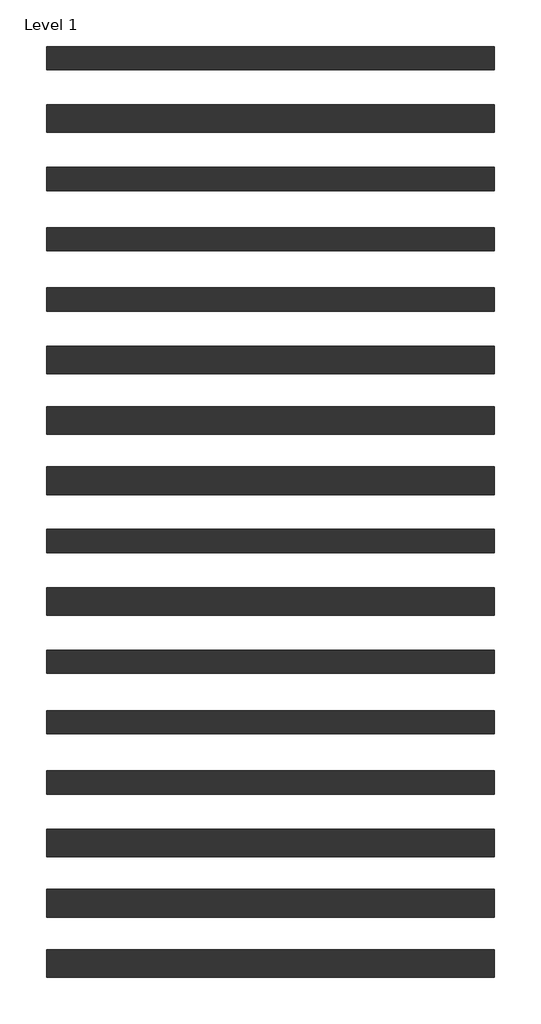
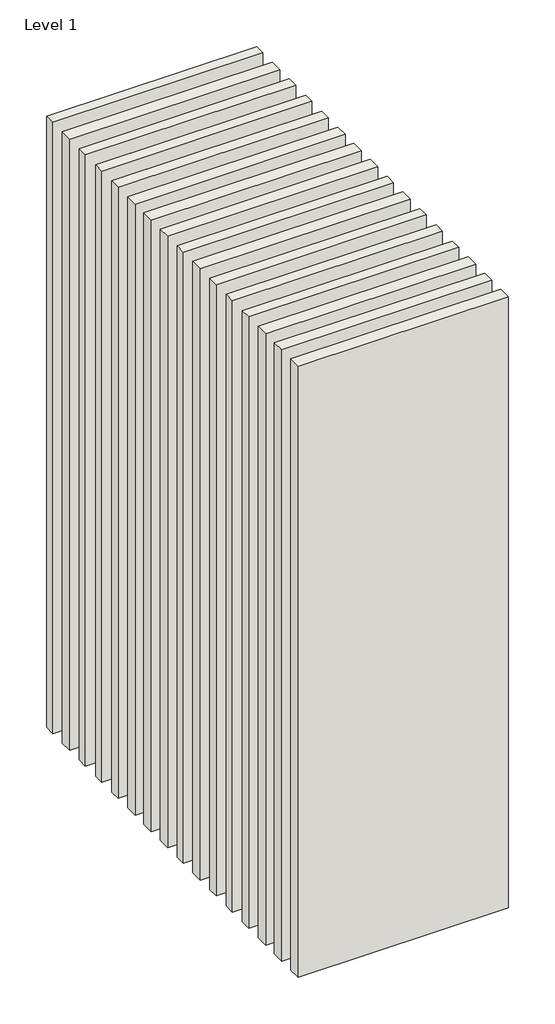
# One storey: 16 walls.
"""IFC4 building model written with IfcOpenShell, lengths in millimetres."""

from ifc_helpers import new_model, si_unit, origin, origin_with_axes, place, context, project, spatial, polyline, outline, extrude, element, save

model = new_model("IFC4")

# Units and contexts
model_context = context("Model", 3, world=origin())
ifc_project = project(units=[si_unit("LENGTHUNIT", "METRE", prefix="MILLI")], contexts=[model_context])

# Site, building, storey
site = spatial("IfcSite", under=ifc_project)
building = spatial("IfcBuilding", under=site)
storey = spatial("IfcBuildingStorey", under=building, Name="Level 1", Elevation=0.0)

# Walls
placement = place(None, origin())
element("IfcWall", 1, at=placement, inside=storey, context=model_context, shape_type="SweptSolid", body=[
    extrude(outline(polyline([(-16904.1464237, 3670.0198817), (-19504.1464237, 3670.0198817), (-19504.1464237, 3805.0198817), (-16904.1464237, 3805.0198817), (-16904.1464237, 3670.0198817)])), origin_with_axes(), (0.0, 0.0, 1.0), 8000.0),
])
element("IfcWall", 2, at=placement, inside=storey, context=model_context, shape_type="SweptSolid", body=[
    extrude(outline(polyline([(-16904.1464237, 3307.5198817), (-19504.1464237, 3307.5198817), (-19504.1464237, 3467.5198817), (-16904.1464237, 3467.5198817), (-16904.1464237, 3307.5198817)])), origin_with_axes(), (0.0, 0.0, 1.0), 8000.0),
])
element("IfcWall", 3, at=placement, inside=storey, context=model_context, shape_type="SweptSolid", body=[
    extrude(outline(polyline([(-16904.1464237, 2970.0198817), (-19504.1464237, 2970.0198817), (-19504.1464237, 3105.0198817), (-16904.1464237, 3105.0198817), (-16904.1464237, 2970.0198817)])), origin_with_axes(), (0.0, 0.0, 1.0), 8000.0),
])
element("IfcWall", 4, at=placement, inside=storey, context=model_context, shape_type="SweptSolid", body=[
    extrude(outline(polyline([(-16904.1464237, 2620.0198817), (-19504.1464237, 2620.0198817), (-19504.1464237, 2755.0198817), (-16904.1464237, 2755.0198817), (-16904.1464237, 2620.0198817)])), origin_with_axes(), (0.0, 0.0, 1.0), 8000.0),
])
element("IfcWall", 5, at=placement, inside=storey, context=model_context, shape_type="SweptSolid", body=[
    extrude(outline(polyline([(-16904.1464237, 2270.0198817), (-19504.1464237, 2270.0198817), (-19504.1464237, 2405.0198817), (-16904.1464237, 2405.0198817), (-16904.1464237, 2270.0198817)])), origin_with_axes(), (0.0, 0.0, 1.0), 8000.0),
])
element("IfcWall", 6, at=placement, inside=storey, context=model_context, shape_type="SweptSolid", body=[
    extrude(outline(polyline([(-16904.1464237, 1907.5198817), (-19504.1464237, 1907.5198817), (-19504.1464237, 2067.5198817), (-16904.1464237, 2067.5198817), (-16904.1464237, 1907.5198817)])), origin_with_axes(), (0.0, 0.0, 1.0), 8000.0),
])
element("IfcWall", 7, at=placement, inside=storey, context=model_context, shape_type="SweptSolid", body=[
    extrude(outline(polyline([(-16904.1464237, 1557.5198817), (-19504.1464237, 1557.5198817), (-19504.1464237, 1717.5198817), (-16904.1464237, 1717.5198817), (-16904.1464237, 1557.5198817)])), origin_with_axes(), (0.0, 0.0, 1.0), 8000.0),
])
element("IfcWall", 8, at=placement, inside=storey, context=model_context, shape_type="SweptSolid", body=[
    extrude(outline(polyline([(-16904.1464237, 1207.5198817), (-19504.1464237, 1207.5198817), (-19504.1464237, 1367.5198817), (-16904.1464237, 1367.5198817), (-16904.1464237, 1207.5198817)])), origin_with_axes(), (0.0, 0.0, 1.0), 8000.0),
])
element("IfcWall", 9, at=placement, inside=storey, context=model_context, shape_type="SweptSolid", body=[
    extrude(outline(polyline([(-16904.1464237, 870.0198817), (-19504.1464237, 870.0198817), (-19504.1464237, 1005.0198817), (-16904.1464237, 1005.0198817), (-16904.1464237, 870.0198817)])), origin_with_axes(), (0.0, 0.0, 1.0), 8000.0),
])
element("IfcWall", 10, at=placement, inside=storey, context=model_context, shape_type="SweptSolid", body=[
    extrude(outline(polyline([(-16904.1464237, 507.5198817), (-19504.1464237, 507.5198817), (-19504.1464237, 667.5198817), (-16904.1464237, 667.5198817), (-16904.1464237, 507.5198817)])), origin_with_axes(), (0.0, 0.0, 1.0), 8000.0),
])
element("IfcWall", 11, at=placement, inside=storey, context=model_context, shape_type="SweptSolid", body=[
    extrude(outline(polyline([(-16904.1464237, 170.0198817), (-19504.1464237, 170.0198817), (-19504.1464237, 305.0198817), (-16904.1464237, 305.0198817), (-16904.1464237, 170.0198817)])), origin_with_axes(), (0.0, 0.0, 1.0), 8000.0),
])
element("IfcWall", 12, at=placement, inside=storey, context=model_context, shape_type="SweptSolid", body=[
    extrude(outline(polyline([(-16904.1464237, -179.9801183), (-19504.1464237, -179.9801183), (-19504.1464237, -44.9801183), (-16904.1464237, -44.9801183), (-16904.1464237, -179.9801183)])), origin_with_axes(), (0.0, 0.0, 1.0), 8000.0),
])
element("IfcWall", 13, at=placement, inside=storey, context=model_context, shape_type="SweptSolid", body=[
    extrude(outline(polyline([(-16904.1464237, -529.9801183), (-19504.1464237, -529.9801183), (-19504.1464237, -394.9801183), (-16904.1464237, -394.9801183), (-16904.1464237, -529.9801183)])), origin_with_axes(), (0.0, 0.0, 1.0), 8000.0),
])
element("IfcWall", 14, at=placement, inside=storey, context=model_context, shape_type="SweptSolid", body=[
    extrude(outline(polyline([(-16904.1464237, -892.4801183), (-19504.1464237, -892.4801183), (-19504.1464237, -732.4801183), (-16904.1464237, -732.4801183), (-16904.1464237, -892.4801183)])), origin_with_axes(), (0.0, 0.0, 1.0), 8000.0),
])
element("IfcWall", 15, at=placement, inside=storey, context=model_context, shape_type="SweptSolid", body=[
    extrude(outline(polyline([(-16904.1464237, -1242.4801183), (-19504.1464237, -1242.4801183), (-19504.1464237, -1082.4801183), (-16904.1464237, -1082.4801183), (-16904.1464237, -1242.4801183)])), origin_with_axes(), (0.0, 0.0, 1.0), 8000.0),
])
element("IfcWall", 16, at=placement, inside=storey, context=model_context, shape_type="SweptSolid", body=[
    extrude(outline(polyline([(-16904.1464237, -1592.4801183), (-19504.1464237, -1592.4801183), (-19504.1464237, -1432.4801183), (-16904.1464237, -1432.4801183), (-16904.1464237, -1592.4801183)])), origin_with_axes(), (0.0, 0.0, 1.0), 8000.0),
])

save(model, "model.ifc")
